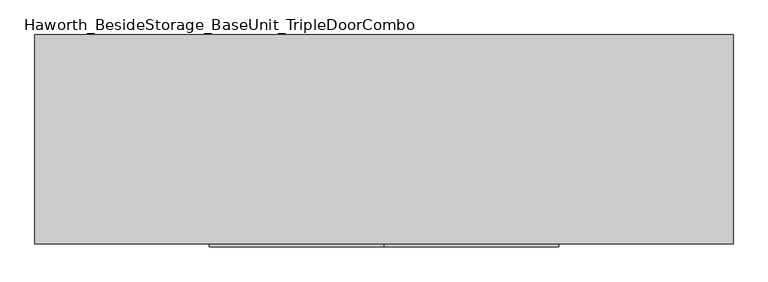
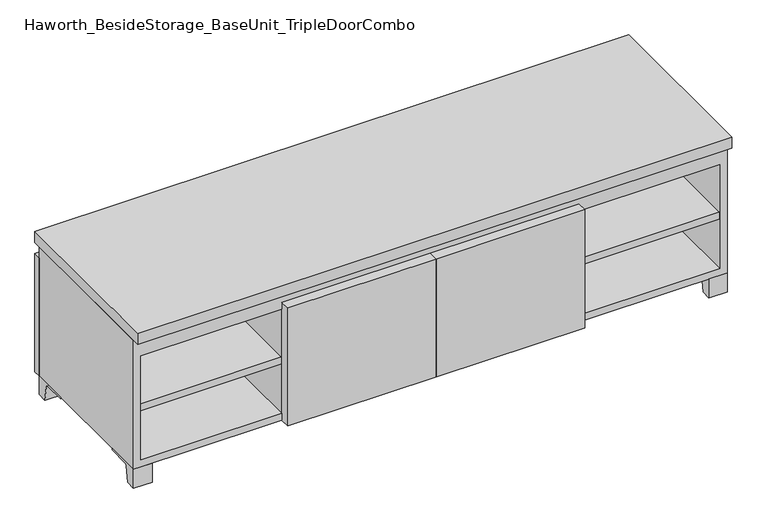
"""IFC4 building model written with IfcOpenShell, lengths in millimetres: furniture geometry, Haworth_BesideStorage_BaseUnit_TripleDoorCombo."""

from ifc_helpers import new_model, si_unit, point, frame, frame_2d, origin, place, context, project, spatial, polyline, circle_curve, trimmed, segment, composite_curve, outline, extrude, source, transform, mapped, element, save


def haworth_besidestorage_baseunit_tripledoorcombo_54138f56(model_context):
    return source(origin(), model_context, "Body", "SweptSolid", [
        extrude(outline(polyline([(381.0069453, 241.3), (742.9569453, 241.3), (742.9569453, -142.875), (381.0069453, -142.875), (381.0069453, 241.3)])), frame((0.0, 0.0, 201.6125), z_axis=(0.0, 0.0, 1.0), x_axis=(1.0, 0.0, 0.0)), (0.0, 0.0, 1.0), 19.05),
        extrude(outline(polyline([(-380.9791641, 241.3), (-380.9791641, -142.875), (-742.9291641, -142.875), (-742.9291641, 241.3), (-380.9791641, 241.3)])), frame((0.0, 0.0, 201.6125), z_axis=(0.0, 0.0, 1.0), x_axis=(1.0, 0.0, 0.0)), (0.0, 0.0, 1.0), 19.05),
        extrude(outline(polyline([(361.9638906, 241.3), (361.9638906, -142.875), (-361.9361094, -142.875), (-361.9361094, 241.3), (361.9638906, 241.3)])), frame((0.0, 0.0, 201.6125), z_axis=(0.0, 0.0, 1.0), x_axis=(1.0, 0.0, 0.0)), (0.0, 0.0, 1.0), 19.05),
        extrude(outline(composite_curve([segment(polyline([(47.6249864, 0.0), (22.225, 0.0), (22.225, 50.8), (117.475, 50.8), (117.475, 46.0213321), (60.6744655, 46.0213321)]), True, "CONTINUOUS"), segment(trimmed(circle_curve(frame_2d((60.6744655, 39.6713321)), 6.35), [point((60.6744655, 46.0213321))], [point((54.4108641, 40.7152656))], True, "CARTESIAN"), True, "CONTINUOUS"), segment(polyline([(54.4108641, 40.7152656), (47.6249864, 0.0)]), True, "CONTINUOUS")], self_intersect=False)), frame((-23.7986094, 0.0, 0.0), z_axis=(1.0, 0.0, 0.0), x_axis=(0.0, 1.0, 0.0)), (0.0, 0.0, 1.0), 47.625),
        extrude(outline(polyline([(762.0138906, 292.1), (762.0138906, -165.1), (-761.9861094, -165.1), (-761.9861094, 292.1), (762.0138906, 292.1)])), frame((0.0, 0.0, 401.6375), z_axis=(0.0, 0.0, 1.0), x_axis=(1.0, 0.0, 0.0)), (0.0, 0.0, 1.0), 30.1625),
        extrude(outline(composite_curve([segment(polyline([(-120.6500136, 0.0), (-146.05, 0.0), (-146.05, 50.8), (-50.8, 50.8), (-50.8, 46.0213321), (-107.6005345, 46.0213321)]), True, "CONTINUOUS"), segment(trimmed(circle_curve(frame_2d((-107.6005345, 39.6713321)), 6.35), [point((-107.6005345, 46.0213321))], [point((-113.8641359, 40.7152656))], True, "CARTESIAN"), True, "CONTINUOUS"), segment(polyline([(-113.8641359, 40.7152656), (-120.6500136, 0.0)]), True, "CONTINUOUS")], self_intersect=False)), frame((714.3888906, 0.0, 0.0), z_axis=(1.0, 0.0, 0.0), x_axis=(0.0, 1.0, 0.0)), (0.0, 0.0, 1.0), 47.625),
        extrude(outline(composite_curve([segment(polyline([(247.6500136, 0.0), (240.8641359, 40.7152656)]), True, "CONTINUOUS"), segment(trimmed(circle_curve(frame_2d((234.6005345, 39.6713321)), 6.35), [point((240.8641359, 40.7152656))], [point((234.6005345, 46.0213321))], True, "CARTESIAN"), True, "CONTINUOUS"), segment(polyline([(234.6005345, 46.0213321), (177.8, 46.0213321), (177.8, 50.8), (273.05, 50.8), (273.05, 0.0), (247.6500136, 0.0)]), True, "CONTINUOUS")], self_intersect=False)), frame((714.3888906, 0.0, 0.0), z_axis=(1.0, 0.0, 0.0), x_axis=(0.0, 1.0, 0.0)), (0.0, 0.0, 1.0), 47.625),
        extrude(outline(composite_curve([segment(polyline([(-120.6500136, 0.0), (-146.05, 0.0), (-146.05, 50.8), (-50.8, 50.8), (-50.8, 46.0213321), (-107.6005345, 46.0213321)]), True, "CONTINUOUS"), segment(trimmed(circle_curve(frame_2d((-107.6005345, 39.6713321)), 6.35), [point((-107.6005345, 46.0213321))], [point((-113.8641359, 40.7152656))], True, "CARTESIAN"), True, "CONTINUOUS"), segment(polyline([(-113.8641359, 40.7152656), (-120.6500136, 0.0)]), True, "CONTINUOUS")], self_intersect=False)), frame((-761.9861094, 0.0, 0.0), z_axis=(1.0, 0.0, 0.0), x_axis=(0.0, 1.0, 0.0)), (0.0, 0.0, 1.0), 47.625),
        extrude(outline(composite_curve([segment(polyline([(247.6500136, 0.0), (240.8641359, 40.7152656)]), True, "CONTINUOUS"), segment(trimmed(circle_curve(frame_2d((234.6005345, 39.6713321)), 6.35), [point((240.8641359, 40.7152656))], [point((234.6005345, 46.0213321))], True, "CARTESIAN"), True, "CONTINUOUS"), segment(polyline([(234.6005345, 46.0213321), (177.8, 46.0213321), (177.8, 50.8), (273.05, 50.8), (273.05, 0.0), (247.6500136, 0.0)]), True, "CONTINUOUS")], self_intersect=False)), frame((-761.9861094, 0.0, 0.0), z_axis=(1.0, 0.0, 0.0), x_axis=(0.0, 1.0, 0.0)), (0.0, 0.0, 1.0), 47.625),
        extrude(outline(polyline([(0.0138906, -171.45), (0.0138906, -146.05), (381.0138906, -146.05), (381.0138906, -171.45), (0.0138906, -171.45)])), frame((0.0, 0.0, 50.8), z_axis=(0.0, 0.0, 1.0), x_axis=(1.0, 0.0, 0.0)), (0.0, 0.0, 1.0), 320.675),
        extrude(outline(polyline([(0.0138906, -171.45), (-380.9861094, -171.45), (-380.9861094, -146.05), (0.0138906, -146.05), (0.0138906, -171.45)])), frame((0.0, 0.0, 50.8), z_axis=(0.0, 0.0, 1.0), x_axis=(1.0, 0.0, 0.0)), (0.0, 0.0, 1.0), 320.675),
        extrude(outline(polyline([(-736.5791641, -120.65), (-736.5791641, 247.65), (-720.7041641, 247.65), (-720.7041641, 73.025), (-7.9236094, 73.025), (-7.9236094, 247.65), (7.9513906, 247.65), (7.9513906, 73.025), (720.7111094, 73.025), (720.7111094, 247.65), (736.5861094, 247.65), (736.5861094, -120.65), (720.7111094, -120.65), (720.7111094, 53.975), (7.9513906, 53.975), (7.9513906, -120.65), (-7.9236094, -120.65), (-7.9236094, 53.975), (-720.7041641, 53.975), (-720.7041641, -120.65), (-736.5791641, -120.65)])), frame((0.0, 0.0, 371.475), z_axis=(0.0, 0.0, 1.0), x_axis=(1.0, 0.0, 0.0)), (0.0, 0.0, 1.0), 30.1625),
        extrude(outline(polyline([(381.0138906, 241.3), (381.0138906, -142.875), (361.9638906, -142.875), (361.9638906, 241.3), (381.0138906, 241.3)])), frame((0.0, 0.0, 69.85), z_axis=(0.0, 0.0, 1.0), x_axis=(1.0, 0.0, 0.0)), (0.0, 0.0, 1.0), 282.575),
        extrude(outline(polyline([(-361.9361094, 241.3), (-361.9361094, -142.875), (-380.9861094, -142.875), (-380.9861094, 241.3), (-361.9361094, 241.3)])), frame((0.0, 0.0, 69.85), z_axis=(0.0, 0.0, 1.0), x_axis=(1.0, 0.0, 0.0)), (0.0, 0.0, 1.0), 282.575),
        extrude(outline(polyline([(762.0138906, 273.05), (-761.9861094, 273.05), (-761.9861094, 292.1), (762.0138906, 292.1), (762.0138906, 273.05)])), frame((0.0, 0.0, 50.8), z_axis=(0.0, 0.0, 1.0), x_axis=(1.0, 0.0, 0.0)), (0.0, 0.0, 1.0), 320.675),
        extrude(outline(polyline([(50.8, -761.9861094), (50.8, 762.0138906), (401.6375, 762.0138906), (401.6375, -761.9861094), (50.8, -761.9861094)]), holes=[polyline([(69.85, -742.9361094), (352.425, -742.9361094), (352.425, 742.9569453), (69.85, 742.9569453), (69.85, -742.9361094)])]), frame((0.0, -146.05, 0.0), z_axis=(0.0, 1.0, 0.0), x_axis=(0.0, 0.0, 1.0)), (0.0, 0.0, 1.0), 419.1),
        extrude(outline(polyline([(-742.9291641, 241.3), (-742.9291641, 247.65), (742.9569453, 247.65), (742.9569453, 241.3), (-742.9291641, 241.3)])), frame((0.0, 0.0, 69.85), z_axis=(0.0, 0.0, 1.0), x_axis=(1.0, 0.0, 0.0)), (0.0, 0.0, 1.0), 282.575),
    ])


if __name__ == "__main__":
    model = new_model("IFC4")
    model_context = context("Model", 3, world=origin())
    ifc_project = project(units=[si_unit("LENGTHUNIT", "METRE", prefix="MILLI")], contexts=[model_context])
    site = spatial("IfcSite", under=ifc_project)
    building = spatial("IfcBuilding", under=site)
    placement = place(None, origin())
    haworth_besidestorage_baseunit_tripledoorcombo_shape = haworth_besidestorage_baseunit_tripledoorcombo_54138f56(model_context)
    element("IfcFurniture", 1, ObjectType="Haworth_BesideStorage_BaseUnit_TripleDoorCombo", at=placement, inside=building, context=model_context, shape_type="MappedRepresentation", body=[
        mapped(haworth_besidestorage_baseunit_tripledoorcombo_shape, transform((0.0, 0.0, 0.0), x_axis=(1.0, 0.0, 0.0), y_axis=(0.0, 1.0, 0.0), z_axis=(0.0, 0.0, 1.0))),
    ])
    save(model, "model.ifc")
